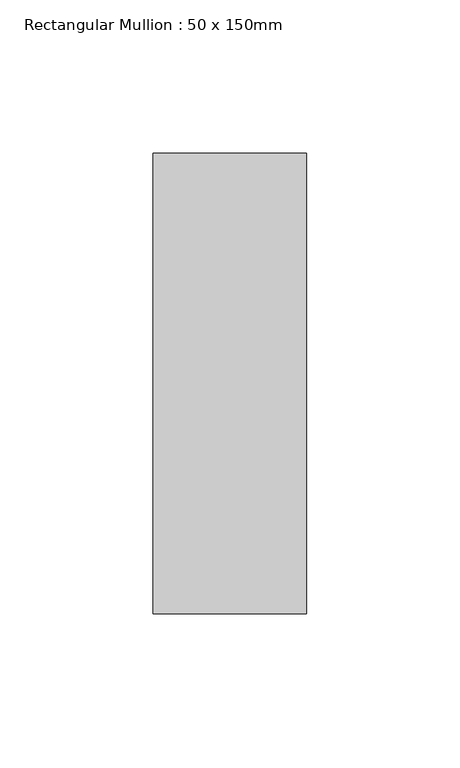
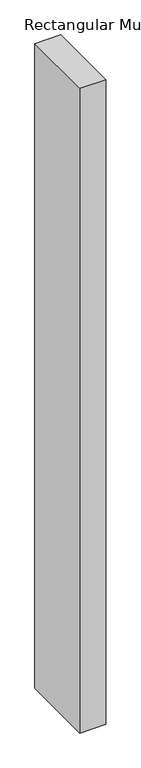
"""IFC4 building model written with IfcOpenShell, lengths in millimetres: member geometry, Rectangular Mullion : 50 x 150mm."""

from ifc_helpers import new_model, si_unit, frame, origin, place, context, project, spatial, polyline, outline, extrude, source, transform, mapped, element, save


def rectangular_mullion_50_x_150mm_73503ddb(model_context):
    return source(origin(), model_context, "Body", "SweptSolid", [
        extrude(outline(polyline([(0.0, 75.0), (0.0, -75.0), (-50.0, -75.0), (-50.0, 75.0), (0.0, 75.0)])), frame((0.0, 0.0, -1314.1765303), z_axis=(0.0, 0.0, 1.0), x_axis=(1.0, 0.0, 0.0)), (0.0, 0.0, 1.0), 1314.1765303),
    ])


if __name__ == "__main__":
    model = new_model("IFC4")
    model_context = context("Model", 3, world=origin())
    ifc_project = project(units=[si_unit("LENGTHUNIT", "METRE", prefix="MILLI")], contexts=[model_context])
    site = spatial("IfcSite", under=ifc_project)
    building = spatial("IfcBuilding", under=site)
    placement = place(None, origin())
    rectangular_mullion_50_x_150mm_shape = rectangular_mullion_50_x_150mm_73503ddb(model_context)
    element("IfcMember", 1, ObjectType="Rectangular Mullion : 50 x 150mm", at=placement, inside=building, context=model_context, shape_type="MappedRepresentation", body=[
        mapped(rectangular_mullion_50_x_150mm_shape, transform((0.0, 0.0, 0.0), x_axis=(1.0, 0.0, 0.0), y_axis=(0.0, 1.0, 0.0), z_axis=(0.0, 0.0, 1.0))),
    ])
    save(model, "model.ifc")
